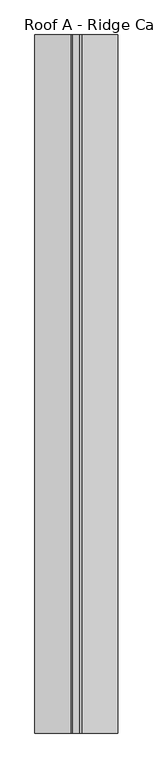
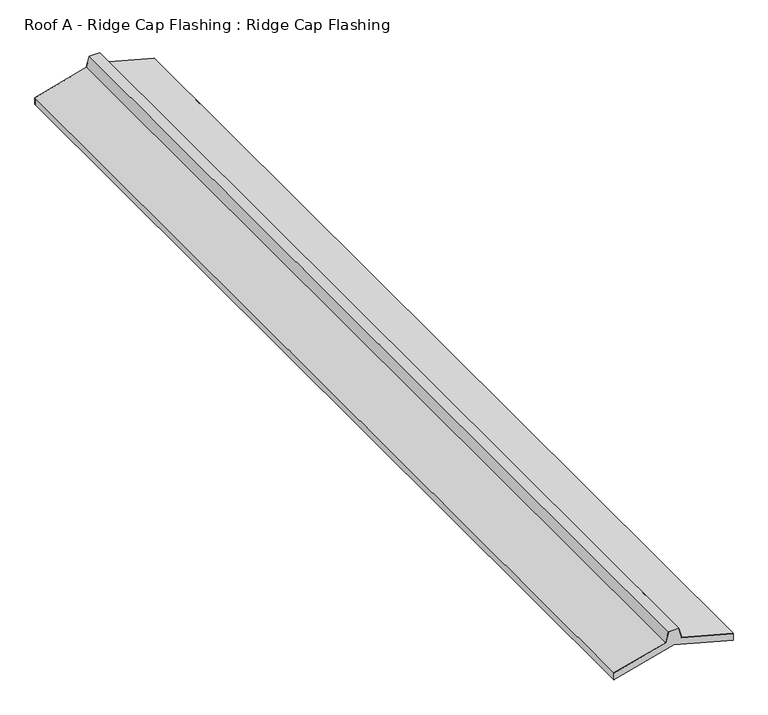
"""IFC4 building model written with IfcOpenShell, lengths in millimetres: proxy geometry, Roof A - Ridge Cap Flashing : Ridge Cap Flashing."""

from ifc_helpers import new_model, si_unit, frame, origin, place, context, project, spatial, polyline, outline, extrude, source, transform, mapped, element, save


def roof_a_ridge_cap_flashing_ridge_cap_flashing_b1609a92(model_context):
    return source(origin(), model_context, "Body", "SweptSolid", [
        extrude(outline(polyline([(6198.9102496, 3175.4070919), (6161.043288, 3175.4070919), (6248.0176956, 3500.0), (6161.043288, 3824.5929081), (6198.9102496, 3824.5929081), (6274.4116755, 3542.8177506), (6333.0461554, 3527.106689), (6333.0461554, 3472.893311), (6274.4116755, 3457.1822494), (6198.9102496, 3175.4070919)])), frame((0.0, 5293.8954809, 0.0), z_axis=(0.0, 1.0, 0.0), x_axis=(0.0, 0.0, 1.0)), (0.0, 0.0, 1.0), 1.2850781),
        extrude(outline(polyline([(6198.9102496, 3175.4070919), (6161.043288, 3175.4070919), (6248.0176956, 3500.0), (6161.043288, 3824.5929081), (6198.9102496, 3824.5929081), (6274.4116755, 3542.8177506), (6333.0461554, 3527.106689), (6333.0461554, 3472.893311), (6274.4116755, 3457.1822494), (6198.9102496, 3175.4070919)])), frame((0.0, -170.0, 0.0), z_axis=(0.0, 1.0, 0.0), x_axis=(0.0, 0.0, 1.0)), (0.0, 0.0, 1.0), 2.0),
        extrude(outline(polyline([(6334.0461554, 3527.874016), (6334.0461554, 3472.125984), (6275.2281721, 3456.3657529), (6199.9455258, 3175.4070919), (6161.043288, 3175.4070919), (6161.043288, 3176.4070919), (6199.1781988, 3176.4070919), (6274.4116755, 3457.1822494), (6333.0461554, 3472.893311), (6333.0461554, 3527.106689), (6274.4116755, 3542.8177506), (6199.1781988, 3823.5929081), (6161.043288, 3823.5929081), (6161.043288, 3824.5929081), (6199.9455258, 3824.5929081), (6275.2281721, 3543.6342471), (6334.0461554, 3527.874016)])), frame((0.0, -170.0, 0.0), z_axis=(0.0, 1.0, 0.0), x_axis=(0.0, 0.0, 1.0)), (0.0, 0.0, 1.0), 5465.1805591),
    ])


if __name__ == "__main__":
    model = new_model("IFC4")
    model_context = context("Model", 3, world=origin())
    ifc_project = project(units=[si_unit("LENGTHUNIT", "METRE", prefix="MILLI")], contexts=[model_context])
    site = spatial("IfcSite", under=ifc_project)
    building = spatial("IfcBuilding", under=site)
    placement = place(None, origin())
    roof_a_ridge_cap_flashing_ridge_cap_flashing_shape = roof_a_ridge_cap_flashing_ridge_cap_flashing_b1609a92(model_context)
    element("IfcBuildingElementProxy", 1, Name="Roof A - Ridge Cap Flashing : Ridge Cap Flashing", ObjectType="Roof A - Ridge Cap Flashing : Ridge Cap Flashing", at=placement, inside=building, context=model_context, shape_type="MappedRepresentation", body=[
        mapped(roof_a_ridge_cap_flashing_ridge_cap_flashing_shape, transform((0.0, 0.0, 0.0), x_axis=(1.0, 0.0, 0.0), y_axis=(0.0, 1.0, 0.0), z_axis=(0.0, 0.0, 1.0))),
    ])
    save(model, "model.ifc")
